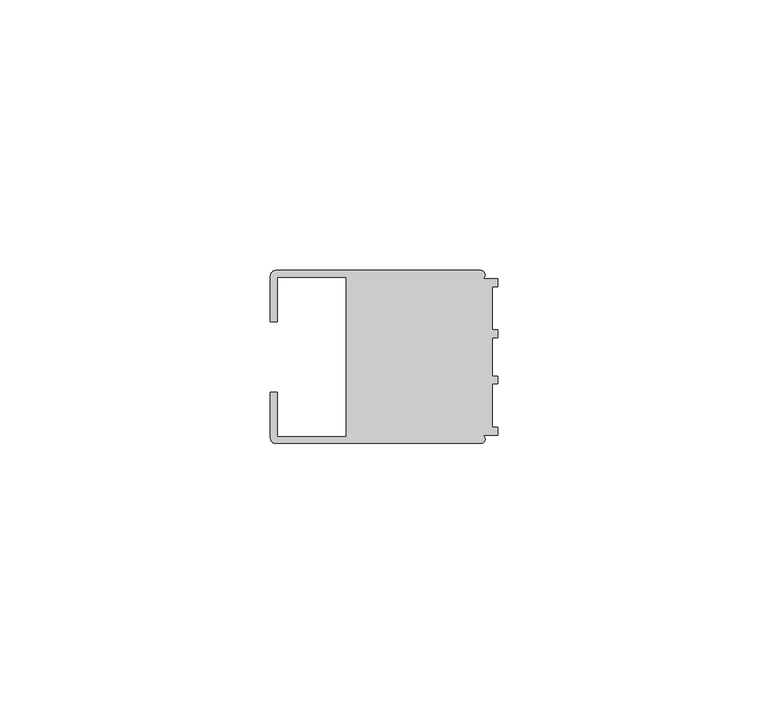
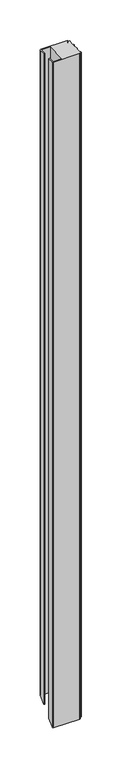
"""IFC4 building model written with IfcOpenShell, lengths in millimetres: member geometry."""

from ifc_helpers import new_model, si_unit, frame, origin, place, context, project, spatial, circle_curve, ellipse_curve, source, transform, mapped, element, save
from ifc_brep_helpers import plane_surface, cylinder_surface, advanced_brep


def member_61502b82(model_context):
    return source(origin(), model_context, "Body", "AdvancedBrep", [
        advanced_brep(
        [(-42.0, -6.4992596, 0.0), (-42.0, -14.998921, 0.0), (-40.998921, -16.0, 0.0), (-3.1385263, -16.0, 0.0), (-2.7260256, -14.4989182, 0.0), (0.0, -14.4989182, 0.0), (0.0, -12.9993664, 0.0), (-0.999267, -12.9993664, 0.0), (-0.999267, -4.9993001, 0.0), (0.0, -4.9993001, 0.0), (0.0, -3.5378881, 0.0), (-0.999267, -3.5001879, 0.0), (-0.999267, 3.5001879, 0.0), (0.0, 3.5391588, 0.0), (0.0, 5.0005709, 0.0), (-0.999267, 5.0005709, 0.0), (-0.999267, 13.0002136, 0.0), (0.0, 13.0002136, 0.0), (0.0, 14.5004469, 0.0), (-2.7237818, 14.5004469, 0.0), (-3.1117213, 16.0, 0.0), (-40.9988146, 16.0, 0.0), (-42.0, 14.9988146, 0.0), (-42.0, 6.4995138, 0.0), (-40.7495396, 6.4995138, 0.0), (-40.7495396, 14.7490791, 0.0), (-28.0, 14.7490791, 0.0), (-28.0, -14.748825, 0.0), (-40.7495396, -14.748825, 0.0), (-40.7495396, -6.4992596, 0.0), (-42.0, -6.4992596, -1006.4992597), (-42.0, -14.998921, -1014.9989211), (-40.998921, -16.0, -1016.0000001), (-3.1385263, -16.0, -1016.0000001), (-2.7260256, -14.4989182, -1014.4989183), (0.0, -14.4989182, -1014.4989183), (0.0, -12.9993664, -1012.9993665), (-0.999267, -12.9993664, -1012.9993665), (-0.999267, -4.9993001, -1004.9993002), (0.0, -4.9993001, -1004.9993002), (0.0, -3.5378881, -1003.5378882), (-0.999267, -3.5001879, -1003.500188), (-0.999267, 3.5001879, -996.4998122), (0.0, 3.5391588, -996.4608413), (0.0, 5.0005709, -994.9994292), (-0.999267, 5.0005709, -994.9994292), (-0.999267, 13.0002136, -986.9997865), (0.0, 13.0002136, -986.9997865), (0.0, 14.5004469, -985.4995532), (-2.7237818, 14.5004469, -985.4995532), (-3.1117213, 16.0, -984.0000001), (-40.9988146, 16.0, -984.0000001), (-42.0, 14.9988146, -985.0011855), (-42.0, 6.4995138, -993.5004863), (-40.7495396, 6.4995138, -993.5004863), (-40.7495396, 14.7490791, -985.250921), (-28.0, 14.7490791, -985.250921), (-28.0, -14.748825, -1014.7488251), (-40.7495396, -14.748825, -1014.7488251), (-40.7495396, -6.4992596, -1006.4992597)],
        [
            (0, 1),
            (1, 2, circle_curve(frame((-40.998921, -14.998921, 0.0), z_axis=(0.0, 0.0, 1.0), x_axis=(1.0, 0.0, 0.0)), 1.001079)),
            (2, 3),
            (3, 4, circle_curve(frame((-3.1117577, -15.2001372, 0.0), z_axis=(0.0, 0.0, 1.0), x_axis=(1.0, 0.0, 0.0)), 0.8003107)),
            (4, 5),
            (5, 6),
            (6, 7),
            (7, 8),
            (8, 9),
            (9, 10),
            (10, 11),
            (11, 12),
            (12, 13),
            (13, 14),
            (14, 15),
            (15, 16),
            (16, 17),
            (17, 18),
            (18, 19),
            (19, 20, circle_curve(frame((-3.1117213, 15.2000428, 0.0), z_axis=(0.0, 0.0, 1.0), x_axis=(1.0, 0.0, 0.0)), 0.7999572)),
            (20, 21),
            (21, 22, circle_curve(frame((-40.9988146, 14.9988146, 0.0), z_axis=(0.0, 0.0, 1.0), x_axis=(1.0, 0.0, 0.0)), 1.0011854)),
            (22, 23),
            (23, 24),
            (24, 25),
            (25, 26),
            (26, 27),
            (27, 28),
            (28, 29),
            (29, 0),
            (0, 30),
            (30, 31),
            (31, 1),
            (31, 32, ellipse_curve(frame((-40.998921, -14.998921, -1014.9989211), z_axis=(0.0, -0.707106781186548, 0.707106781186547), x_axis=(0.0, 0.707106781186547, 0.7071067811865479)), 1.4157395, 1.001079)),
            (32, 2),
            (32, 33),
            (33, 3),
            (33, 34, ellipse_curve(frame((-3.1117577, -15.2001372, -1015.2001373), z_axis=(0.0, -0.707106781186548, 0.707106781186547), x_axis=(0.0, 0.707106781186547, 0.7071067811865479)), 1.1318102, 0.8003107)),
            (34, 4),
            (34, 35),
            (35, 5),
            (35, 36),
            (36, 6),
            (36, 37),
            (37, 7),
            (37, 38),
            (38, 8),
            (38, 39),
            (39, 9),
            (39, 40),
            (40, 10),
            (40, 41),
            (41, 11),
            (41, 42),
            (42, 12),
            (42, 43),
            (43, 13),
            (43, 44),
            (44, 14),
            (44, 45),
            (45, 15),
            (45, 46),
            (46, 16),
            (46, 47),
            (47, 17),
            (47, 48),
            (48, 18),
            (48, 49),
            (49, 19),
            (49, 50, ellipse_curve(frame((-3.1117213, 15.2000428, -984.7999573), z_axis=(0.0, -0.707106781186548, 0.707106781186547), x_axis=(0.0, 0.707106781186547, 0.7071067811865479)), 1.1313103, 0.7999572)),
            (50, 20),
            (50, 51),
            (51, 21),
            (51, 52, ellipse_curve(frame((-40.9988146, 14.9988146, -985.0011855), z_axis=(0.0, -0.707106781186548, 0.707106781186547), x_axis=(0.0, 0.707106781186547, 0.7071067811865479)), 1.41589, 1.0011854)),
            (52, 22),
            (52, 53),
            (53, 23),
            (53, 54),
            (54, 24),
            (54, 55),
            (55, 25),
            (55, 56),
            (56, 26),
            (56, 57),
            (57, 27),
            (57, 58),
            (58, 28),
            (58, 59),
            (59, 29),
            (59, 30),
        ],
        [
            plane_surface(frame((0.0, -44.5978433, 0.0), z_axis=(0.0, 0.0, 1.0), x_axis=(-1.0, 0.0, 0.0))),
            plane_surface(frame((-42.0, -6.4992596, 0.0), z_axis=(-1.0, 0.0, 0.0), x_axis=(0.0, 0.0, -1.0))),
            cylinder_surface(frame((-40.998921, -14.998921, 0.0), z_axis=(0.0, 0.0, 1.0), x_axis=(1.0, 0.0, 0.0)), 1.001079),
            plane_surface(frame((-40.998921, -16.0, 0.0), z_axis=(0.0, -1.0, 0.0), x_axis=(0.0, 0.0, -1.0))),
            cylinder_surface(frame((-3.1117577, -15.2001372, 0.0), z_axis=(0.0, 0.0, 1.0), x_axis=(1.0, 0.0, 0.0)), 0.8003107),
            plane_surface(frame((-2.7260256, -14.4989182, 0.0), z_axis=(0.0, -1.0, 0.0), x_axis=(0.0, 0.0, -1.0))),
            plane_surface(frame((0.0, -14.4989182, 0.0), z_axis=(1.0, 0.0, 0.0), x_axis=(0.0, 0.0, -1.0))),
            plane_surface(frame((0.0, -12.9993664, 0.0), z_axis=(0.0, 1.0, 0.0), x_axis=(0.0, 0.0, -1.0))),
            plane_surface(frame((-0.999267, -12.9993664, 0.0), z_axis=(1.0, 0.0, 0.0), x_axis=(0.0, 0.0, -1.0))),
            plane_surface(frame((-0.999267, -4.9993001, 0.0), z_axis=(0.0, -1.0, 0.0), x_axis=(0.0, 0.0, -1.0))),
            plane_surface(frame((0.0, -4.9993001, 0.0), z_axis=(1.0, 0.0, 0.0), x_axis=(0.0, 0.0, -1.0))),
            plane_surface(frame((0.0, -3.5378881, 0.0), z_axis=(0.03770102867816504, 0.9992890635029527, 0.0), x_axis=(0.0, 0.0, -1.0))),
            plane_surface(frame((-0.999267, -3.5001879, 0.0), z_axis=(1.0, 0.0, 0.0), x_axis=(0.0, 0.0, -1.0))),
            plane_surface(frame((-0.999267, 3.5001879, 0.0), z_axis=(0.03896995134810581, -0.999240382936922, 0.0), x_axis=(0.0, 0.0, -1.0))),
            plane_surface(frame((0.0, 3.5391588, 0.0), z_axis=(1.0, 0.0, 0.0), x_axis=(0.0, 0.0, -1.0))),
            plane_surface(frame((0.0, 5.0005709, 0.0), z_axis=(0.0, 1.0, 0.0), x_axis=(0.0, 0.0, -1.0))),
            plane_surface(frame((-0.999267, 5.0005709, 0.0), z_axis=(1.0, 0.0, 0.0), x_axis=(0.0, 0.0, -1.0))),
            plane_surface(frame((-0.999267, 13.0002136, 0.0), z_axis=(0.0, -1.0, 0.0), x_axis=(0.0, 0.0, -1.0))),
            plane_surface(frame((0.0, 13.0002136, 0.0), z_axis=(1.0, 0.0, 0.0), x_axis=(0.0, 0.0, -1.0))),
            plane_surface(frame((0.0, 14.5004469, 0.0), z_axis=(0.0, 1.0, 0.0), x_axis=(0.0, 0.0, -1.0))),
            cylinder_surface(frame((-3.1117213, 15.2000428, 0.0), z_axis=(0.0, 0.0, 1.0), x_axis=(1.0, 0.0, 0.0)), 0.7999572),
            plane_surface(frame((-3.1117213, 16.0, 0.0), z_axis=(0.0, 1.0, 0.0), x_axis=(0.0, 0.0, -1.0))),
            cylinder_surface(frame((-40.9988146, 14.9988146, 0.0), z_axis=(0.0, 0.0, 1.0), x_axis=(1.0, 0.0, 0.0)), 1.0011854),
            plane_surface(frame((-42.0, 14.9988146, 0.0), z_axis=(-1.0, 0.0, 0.0), x_axis=(0.0, 0.0, -1.0))),
            plane_surface(frame((-42.0, 6.4995138, 0.0), z_axis=(0.0, -1.0, 0.0), x_axis=(0.0, 0.0, -1.0))),
            plane_surface(frame((-40.7495396, 6.4995138, 0.0), z_axis=(1.0, 0.0, 0.0), x_axis=(0.0, 0.0, -1.0))),
            plane_surface(frame((-40.7495396, 14.7490791, 0.0), z_axis=(0.0, -1.0, 0.0), x_axis=(0.0, 0.0, -1.0))),
            plane_surface(frame((-28.0, 14.7490791, 0.0), z_axis=(-1.0, 0.0, 0.0), x_axis=(0.0, 0.0, -1.0))),
            plane_surface(frame((-28.0, -14.748825, 0.0), z_axis=(0.0, 1.0, 0.0), x_axis=(0.0, 0.0, -1.0))),
            plane_surface(frame((-40.7495396, -14.748825, 0.0), z_axis=(1.0, 0.0, 0.0), x_axis=(0.0, 0.0, -1.0))),
            plane_surface(frame((-40.7495396, -6.4992596, 0.0), z_axis=(0.0, 1.0, 0.0), x_axis=(0.0, 0.0, -1.0))),
            plane_surface(frame((-304.8, 0.0, -1000.0000001), z_axis=(0.0, 0.707106781186548, -0.707106781186547), x_axis=(0.0, 0.707106781186547, 0.707106781186548))),
        ],
        [
            (0, [[1, 2, 3, 4, 5, 6, 7, 8, 9, 10, 11, 12, 13, 14, 15, 16, 17, 18, 19, 20, 21, 22, 23, 24, 25, 26, 27, 28, 29, 30]]),
            (1, [[-1, 31, 32, 33]]),
            (2, [[-2, -33, 34, 35]]),
            (3, [[-3, -35, 36, 37]]),
            (4, [[-4, -37, 38, 39]]),
            (5, [[-5, -39, 40, 41]]),
            (6, [[-6, -41, 42, 43]]),
            (7, [[-7, -43, 44, 45]]),
            (8, [[-8, -45, 46, 47]]),
            (9, [[-9, -47, 48, 49]]),
            (10, [[-10, -49, 50, 51]]),
            (11, [[-11, -51, 52, 53]]),
            (12, [[-12, -53, 54, 55]]),
            (13, [[-13, -55, 56, 57]]),
            (14, [[-14, -57, 58, 59]]),
            (15, [[-15, -59, 60, 61]]),
            (16, [[-16, -61, 62, 63]]),
            (17, [[-17, -63, 64, 65]]),
            (18, [[-18, -65, 66, 67]]),
            (19, [[-19, -67, 68, 69]]),
            (20, [[-20, -69, 70, 71]]),
            (21, [[-21, -71, 72, 73]]),
            (22, [[-22, -73, 74, 75]]),
            (23, [[-23, -75, 76, 77]]),
            (24, [[-24, -77, 78, 79]]),
            (25, [[-25, -79, 80, 81]]),
            (26, [[-26, -81, 82, 83]]),
            (27, [[-27, -83, 84, 85]]),
            (28, [[-28, -85, 86, 87]]),
            (29, [[-29, -87, 88, 89]]),
            (30, [[-30, -89, 90, -31]]),
            (31, [[-90, -88, -86, -84, -82, -80, -78, -76, -74, -72, -70, -68, -66, -64, -62, -60, -58, -56, -54, -52, -50, -48, -46, -44, -42, -40, -38, -36, -34, -32]]),
        ],
    ),
    ])


if __name__ == "__main__":
    model = new_model("IFC4")
    model_context = context("Model", 3, world=origin())
    ifc_project = project(units=[si_unit("LENGTHUNIT", "METRE", prefix="MILLI")], contexts=[model_context])
    site = spatial("IfcSite", under=ifc_project)
    building = spatial("IfcBuilding", under=site)
    placement = place(None, origin())
    member_shape = member_61502b82(model_context)
    element("IfcMember", 1, at=placement, inside=building, context=model_context, shape_type="MappedRepresentation", body=[
        mapped(member_shape, transform((0.0, 0.0, 0.0), x_axis=(1.0, 0.0, 0.0), y_axis=(0.0, 1.0, 0.0), z_axis=(0.0, 0.0, 1.0))),
    ])
    save(model, "model.ifc")
